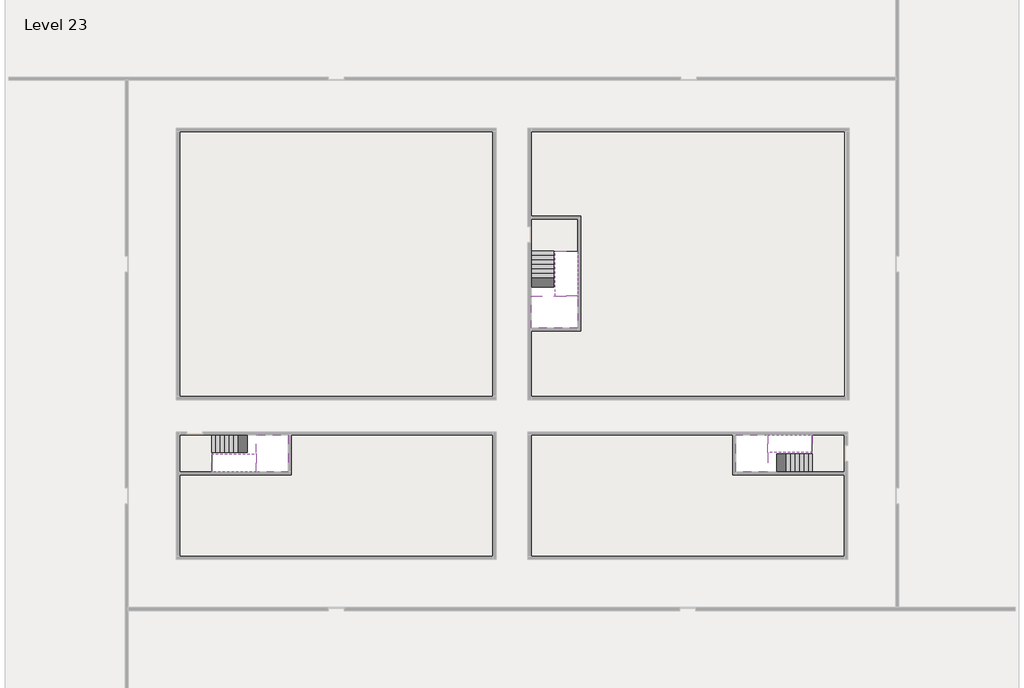
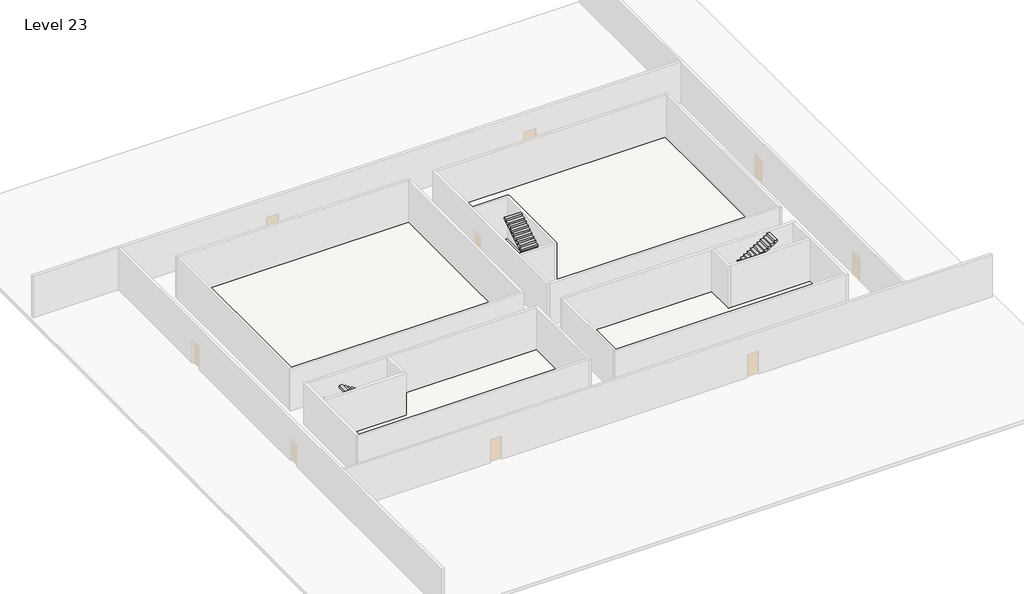
# One storey, part 2 of 2: 6 stair flights, 5 slabs.
"""IFC4 building model written with IfcOpenShell, lengths in millimetres."""

from ifc_helpers import new_model, si_unit, frame, origin, place, context, project, spatial, polyline, outline, extrude, faceted_brep, element, save

model = new_model("IFC4")

# Units and contexts
model_context = context("Model", 3, world=origin())
ifc_project = project(units=[si_unit("LENGTHUNIT", "METRE", prefix="MILLI")], contexts=[model_context])

# Site, building, storey
site = spatial("IfcSite", under=ifc_project)
building = spatial("IfcBuilding", under=site)
storey = spatial("IfcBuildingStorey", under=building, Name="Level 23", Elevation=83600.0)

# Slabs
placement = place(None, origin())
element("IfcSlab", 1, at=placement, inside=storey, context=model_context, shape_type="Brep", body=[
    faceted_brep([(8190.1058784, -42918.09644, 85500.0), (8190.1058784, -44018.09644, 85500.0), (8190.1058784, -44118.09644, 85500.0), (8190.1058784, -45218.09644, 85500.0), (8390.7194421, -45218.09644, 85500.0), (10190.1058784, -45218.09644, 85500.0), (10190.1058784, -42918.09644, 85500.0), (8269.4923146, -42918.09644, 85500.0), (8190.1058784, -42918.09644, 85327.2727273), (8190.1058784, -42918.09644, 85151.0278478), (8190.1058784, -44018.09644, 85151.0278478), (8190.1058784, -44018.09644, 85200.0), (8190.1058784, -44118.09644, 85200.0), (8190.1058784, -44118.09644, 85323.7551205), (8190.1058784, -45218.09644, 85323.7551205), (8390.7194421, -45218.09644, 85200.0), (10190.1058784, -45218.09644, 85200.0), (10190.1058784, -42918.09644, 85200.0), (8269.4923146, -42918.09644, 85200.0), (8390.7194421, -44118.09644, 85200.0), (8269.4923146, -44018.09644, 85200.0)], [[[0, 1, 2, 3, 4, 5, 6, 7]], [[1, 0, 8, 9, 10, 11]], [[2, 1, 11, 12, 13]], [[3, 2, 13, 14]], [[3, 14, 15, 16, 5, 4]], [[6, 5, 16, 17]], [[9, 8, 0, 7, 6, 17, 18]], [[19, 12, 11, 20, 18, 17, 16, 15]], [[12, 19, 13]], [[18, 20, 10, 9]], [[20, 11, 10]], [[19, 15, 14, 13]]]),
])
element("IfcSlab", 2, at=placement, inside=storey, context=model_context, shape_type="Brep", body=[
    faceted_brep([(40190.1058784, -45218.09644, 85500.0), (40190.1058784, -44118.09644, 85500.0), (40190.1058784, -44018.09644, 85500.0), (40190.1058784, -42918.09644, 85500.0), (39989.4923146, -42918.09644, 85500.0), (38190.1058784, -42918.09644, 85500.0), (38190.1058784, -45218.09644, 85500.0), (40110.7194421, -45218.09644, 85500.0), (40190.1058784, -45218.09644, 85327.2727273), (40190.1058784, -45218.09644, 85151.0278478), (40190.1058784, -44118.09644, 85151.0278478), (40190.1058784, -44118.09644, 85200.0), (40190.1058784, -44018.09644, 85200.0), (40190.1058784, -44018.09644, 85323.7551205), (40190.1058784, -42918.09644, 85323.7551205), (39989.4923146, -42918.09644, 85200.0), (38190.1058784, -42918.09644, 85200.0), (38190.1058784, -45218.09644, 85200.0), (40110.7194421, -45218.09644, 85200.0), (39989.4923146, -44018.09644, 85200.0), (40110.7194421, -44118.09644, 85200.0)], [[[0, 1, 2, 3, 4, 5, 6, 7]], [[1, 0, 8, 9, 10, 11]], [[2, 1, 11, 12, 13]], [[3, 2, 13, 14]], [[3, 14, 15, 16, 5, 4]], [[6, 5, 16, 17]], [[9, 8, 0, 7, 6, 17, 18]], [[19, 12, 11, 20, 18, 17, 16, 15]], [[12, 19, 13]], [[18, 20, 10, 9]], [[20, 11, 10]], [[19, 15, 14, 13]]]),
])
element("IfcSlab", 3, at=placement, inside=storey, context=model_context, shape_type="Brep", body=[
    faceted_brep([(26790.1058784, -34218.09644, 85500.0), (25390.1058784, -34218.09644, 85500.0), (25390.1058784, -34297.4828763, 85500.0), (25390.1058784, -36218.09644, 85500.0), (28290.1058784, -36218.09644, 85500.0), (28290.1058784, -34418.7100038, 85500.0), (28290.1058784, -34218.09644, 85500.0), (26890.1058784, -34218.09644, 85500.0), (26790.1058784, -34218.09644, 85200.0), (26790.1058784, -34218.09644, 85151.0278478), (25390.1058784, -34218.09644, 85151.0278478), (25390.1058784, -34218.09644, 85327.2727273), (25390.1058784, -34297.4828763, 85200.0), (25390.1058784, -36218.09644, 85200.0), (28290.1058784, -36218.09644, 85200.0), (28290.1058784, -34418.7100038, 85200.0), (28290.1058784, -34218.09644, 85323.7551205), (26890.1058784, -34218.09644, 85323.7551205), (26890.1058784, -34218.09644, 85200.0), (26890.1058784, -34418.7100038, 85200.0), (26790.1058784, -34297.4828763, 85200.0)], [[[0, 1, 2, 3, 4, 5, 6, 7]], [[1, 0, 8, 9, 10, 11]], [[1, 11, 10, 12, 13, 3, 2]], [[4, 3, 13, 14]], [[4, 14, 15, 16, 6, 5]], [[7, 6, 16, 17]], [[0, 7, 17, 18, 8]], [[18, 19, 15, 14, 13, 12, 20, 8]], [[19, 18, 17]], [[20, 12, 10, 9]], [[8, 20, 9]], [[15, 19, 17, 16]]]),
])
element("IfcSlab", 4, at=placement, inside=storey, context=model_context, shape_type="SweptSolid", body=[
    extrude(outline(polyline([(22990.1058784, -23918.09644), (22990.1058784, -40518.09644), (3390.1058784, -40518.09644), (3390.1058784, -23918.09644), (22990.1058784, -23918.09644)])), frame((0.0, 0.0, 83300.0), z_axis=(0.0, 0.0, 1.0), x_axis=(1.0, 0.0, 0.0)), (0.0, 0.0, 1.0), 300.0),
    extrude(outline(polyline([(44990.1058784, -23918.09644), (44990.1058784, -40518.09644), (25390.1058784, -40518.09644), (25390.1058784, -36418.09644), (28490.1058784, -36418.09644), (28490.1058784, -29218.09644), (25390.1058784, -29218.09644), (25390.1058784, -23918.09644), (44990.1058784, -23918.09644)])), frame((0.0, 0.0, 83300.0), z_axis=(0.0, 0.0, 1.0), x_axis=(1.0, 0.0, 0.0)), (0.0, 0.0, 1.0), 300.0),
    extrude(outline(polyline([(22990.1058784, -42918.09644), (22990.1058784, -50518.09644), (3390.1058784, -50518.09644), (3390.1058784, -45418.09644), (10390.1058784, -45418.09644), (10390.1058784, -42918.09644), (22990.1058784, -42918.09644)])), frame((0.0, 0.0, 83300.0), z_axis=(0.0, 0.0, 1.0), x_axis=(1.0, 0.0, 0.0)), (0.0, 0.0, 1.0), 300.0),
    extrude(outline(polyline([(37990.1058784, -42918.09644), (37990.1058784, -45418.09644), (44990.1058784, -45418.09644), (44990.1058784, -50518.09644), (25390.1058784, -50518.09644), (25390.1058784, -42918.09644), (37990.1058784, -42918.09644)])), frame((0.0, 0.0, 83300.0), z_axis=(0.0, 0.0, 1.0), x_axis=(1.0, 0.0, 0.0)), (0.0, 0.0, 1.0), 300.0),
])
element("IfcSlab", 5, at=placement, inside=storey, context=model_context, shape_type="SweptSolid", body=[
    extrude(outline(polyline([(44990.1058784, -42918.09644), (44990.1058784, -45218.09644), (42990.1058784, -45218.09644), (42990.1058784, -42918.09644), (44990.1058784, -42918.09644)])), frame((0.0, 0.0, 83300.0), z_axis=(0.0, 0.0, 1.0), x_axis=(1.0, 0.0, 0.0)), (0.0, 0.0, 1.0), 300.0),
    extrude(outline(polyline([(5390.1058784, -42918.09644), (5390.1058784, -45218.09644), (3390.1058784, -45218.09644), (3390.1058784, -42918.09644), (5390.1058784, -42918.09644)])), frame((0.0, 0.0, 83300.0), z_axis=(0.0, 0.0, 1.0), x_axis=(1.0, 0.0, 0.0)), (0.0, 0.0, 1.0), 300.0),
    extrude(outline(polyline([(28290.1058784, -29418.09644), (28290.1058784, -31418.09644), (25390.1058784, -31418.09644), (25390.1058784, -29418.09644), (28290.1058784, -29418.09644)])), frame((0.0, 0.0, 83300.0), z_axis=(0.0, 0.0, 1.0), x_axis=(1.0, 0.0, 0.0)), (0.0, 0.0, 1.0), 300.0),
])

# Stair flights
element("IfcStairFlight", 6, at=placement, inside=storey, context=model_context, shape_type="Brep", body=[
    faceted_brep([(5670.1058784, -42918.09644, 83772.7272727), (5390.1058784, -42918.09644, 83772.7272727), (5390.1058784, -44018.09644, 83772.7272727), (5670.1058784, -44018.09644, 83772.7272727), (5670.1058784, -42918.09644, 83600.0), (5390.1058784, -42918.09644, 83600.0), (5390.1058784, -44018.09644, 83600.0), (5670.1058784, -44018.09644, 83600.0), (5950.1058784, -42918.09644, 83945.4545455), (5670.1058784, -42918.09644, 83945.4545455), (5670.1058784, -44018.09644, 83945.4545455), (5950.1058784, -44018.09644, 83945.4545455), (5950.1058784, -42918.09644, 83769.209666), (5675.8081041, -42918.09644, 83600.0), (5675.8081041, -44018.09644, 83600.0), (5950.1058784, -44018.09644, 83769.209666), (6230.1058784, -42918.09644, 84118.1818182), (5950.1058784, -42918.09644, 84118.1818182), (5950.1058784, -44018.09644, 84118.1818182), (6230.1058784, -44018.09644, 84118.1818182), (6230.1058784, -42918.09644, 83941.9369387), (6230.1058784, -44018.09644, 83941.9369387), (6510.1058784, -42918.09644, 84290.9090909), (6230.1058784, -42918.09644, 84290.9090909), (6230.1058784, -44018.09644, 84290.9090909), (6510.1058784, -44018.09644, 84290.9090909), (6510.1058784, -42918.09644, 84114.6642114), (6510.1058784, -44018.09644, 84114.6642114), (6790.1058784, -42918.09644, 84463.6363636), (6510.1058784, -42918.09644, 84463.6363636), (6510.1058784, -44018.09644, 84463.6363636), (6790.1058784, -44018.09644, 84463.6363636), (6790.1058784, -42918.09644, 84287.3914841), (6790.1058784, -44018.09644, 84287.3914841), (7070.1058784, -42918.09644, 84636.3636364), (6790.1058784, -42918.09644, 84636.3636364), (6790.1058784, -44018.09644, 84636.3636364), (7070.1058784, -44018.09644, 84636.3636364), (7070.1058784, -42918.09644, 84460.1187569), (7070.1058784, -44018.09644, 84460.1187569), (7350.1058784, -42918.09644, 84809.0909091), (7070.1058784, -42918.09644, 84809.0909091), (7070.1058784, -44018.09644, 84809.0909091), (7350.1058784, -44018.09644, 84809.0909091), (7350.1058784, -42918.09644, 84632.8460296), (7350.1058784, -44018.09644, 84632.8460296), (7630.1058784, -42918.09644, 84981.8181818), (7350.1058784, -42918.09644, 84981.8181818), (7350.1058784, -44018.09644, 84981.8181818), (7630.1058784, -44018.09644, 84981.8181818), (7630.1058784, -42918.09644, 84805.5733023), (7630.1058784, -44018.09644, 84805.5733023), (7910.1058784, -42918.09644, 85154.5454545), (7630.1058784, -42918.09644, 85154.5454545), (7630.1058784, -44018.09644, 85154.5454545), (7910.1058784, -44018.09644, 85154.5454545), (7910.1058784, -42918.09644, 84978.3005751), (7910.1058784, -44018.09644, 84978.3005751), (8190.1058784, -42918.09644, 85327.2727273), (7910.1058784, -42918.09644, 85327.2727273), (7910.1058784, -44018.09644, 85327.2727273), (8190.1058784, -44018.09644, 85327.2727273), (8190.1058784, -42918.09644, 85151.0278478), (8190.1058784, -44018.09644, 85151.0278478), (8190.1058784, -44018.09644, 85200.0)], [[[0, 1, 2, 3]], [[1, 0, 4, 5]], [[2, 1, 5, 6]], [[3, 2, 6, 7]], [[8, 9, 10, 11]], [[4, 0, 9, 8, 12, 13]], [[0, 3, 10, 9]], [[3, 7, 14, 15, 11, 10]], [[16, 17, 18, 19]], [[17, 16, 20, 12, 8]], [[8, 11, 18, 17]], [[19, 18, 11, 15, 21]], [[22, 23, 24, 25]], [[23, 22, 26, 20, 16]], [[16, 19, 24, 23]], [[25, 24, 19, 21, 27]], [[28, 29, 30, 31]], [[29, 28, 32, 26, 22]], [[22, 25, 30, 29]], [[31, 30, 25, 27, 33]], [[34, 35, 36, 37]], [[35, 34, 38, 32, 28]], [[28, 31, 36, 35]], [[37, 36, 31, 33, 39]], [[40, 41, 42, 43]], [[41, 40, 44, 38, 34]], [[34, 37, 42, 41]], [[43, 42, 37, 39, 45]], [[46, 47, 48, 49]], [[47, 46, 50, 44, 40]], [[40, 43, 48, 47]], [[49, 48, 43, 45, 51]], [[52, 53, 54, 55]], [[53, 52, 56, 50, 46]], [[46, 49, 54, 53]], [[55, 54, 49, 51, 57]], [[58, 59, 60, 61]], [[59, 58, 62, 56, 52]], [[52, 55, 60, 59]], [[61, 60, 55, 57, 63, 64]], [[58, 61, 64, 63, 62]], [[5, 4, 13, 14, 7, 6]], [[14, 13, 12, 20, 26, 32, 38, 44, 50, 56, 62, 63, 57, 51, 45, 39, 33, 27, 21, 15]]]),
])
element("IfcStairFlight", 7, at=placement, inside=storey, context=model_context, shape_type="Brep", body=[
    faceted_brep([(7910.1058784, -45218.09644, 85672.7272727), (8190.1058784, -45218.09644, 85672.7272727), (8190.1058784, -44118.09644, 85672.7272727), (7910.1058784, -44118.09644, 85672.7272727), (7910.1058784, -45218.09644, 85496.4823932), (8190.1058784, -45218.09644, 85323.7551205), (8190.1058784, -45218.09644, 85500.0), (8190.1058784, -44118.09644, 85323.7551205), (7910.1058784, -44118.09644, 85496.4823932), (7630.1058784, -45218.09644, 85845.4545455), (7910.1058784, -45218.09644, 85845.4545455), (7910.1058784, -44118.09644, 85845.4545455), (7630.1058784, -44118.09644, 85845.4545455), (7630.1058784, -45218.09644, 85669.209666), (7630.1058784, -44118.09644, 85669.209666), (7350.1058784, -45218.09644, 86018.1818182), (7630.1058784, -45218.09644, 86018.1818182), (7630.1058784, -44118.09644, 86018.1818182), (7350.1058784, -44118.09644, 86018.1818182), (7350.1058784, -45218.09644, 85841.9369387), (7350.1058784, -44118.09644, 85841.9369387), (7070.1058784, -45218.09644, 86190.9090909), (7350.1058784, -45218.09644, 86190.9090909), (7350.1058784, -44118.09644, 86190.9090909), (7070.1058784, -44118.09644, 86190.9090909), (7070.1058784, -45218.09644, 86014.6642114), (7070.1058784, -44118.09644, 86014.6642114), (6790.1058784, -45218.09644, 86363.6363636), (7070.1058784, -45218.09644, 86363.6363636), (7070.1058784, -44118.09644, 86363.6363636), (6790.1058784, -44118.09644, 86363.6363636), (6790.1058784, -45218.09644, 86187.3914841), (6790.1058784, -44118.09644, 86187.3914841), (6510.1058784, -45218.09644, 86536.3636364), (6790.1058784, -45218.09644, 86536.3636364), (6790.1058784, -44118.09644, 86536.3636364), (6510.1058784, -44118.09644, 86536.3636364), (6510.1058784, -45218.09644, 86360.1187569), (6510.1058784, -44118.09644, 86360.1187569), (6230.1058784, -45218.09644, 86709.0909091), (6510.1058784, -45218.09644, 86709.0909091), (6510.1058784, -44118.09644, 86709.0909091), (6230.1058784, -44118.09644, 86709.0909091), (6230.1058784, -45218.09644, 86532.8460296), (6230.1058784, -44118.09644, 86532.8460296), (5950.1058784, -45218.09644, 86881.8181818), (6230.1058784, -45218.09644, 86881.8181818), (6230.1058784, -44118.09644, 86881.8181818), (5950.1058784, -44118.09644, 86881.8181818), (5950.1058784, -45218.09644, 86705.5733023), (5950.1058784, -44118.09644, 86705.5733023), (5670.1058784, -45218.09644, 87054.5454545), (5950.1058784, -45218.09644, 87054.5454545), (5950.1058784, -44118.09644, 87054.5454545), (5670.1058784, -44118.09644, 87054.5454545), (5670.1058784, -45218.09644, 86878.3005751), (5670.1058784, -44118.09644, 86878.3005751), (5390.1058784, -45218.09644, 87227.2727273), (5670.1058784, -45218.09644, 87227.2727273), (5670.1058784, -44118.09644, 87227.2727273), (5390.1058784, -44118.09644, 87227.2727273), (5390.1058784, -45218.09644, 87051.0278478), (5390.1058784, -44118.09644, 87051.0278478)], [[[0, 1, 2, 3]], [[1, 0, 4, 5, 6]], [[2, 1, 6, 5, 7]], [[3, 2, 7, 8]], [[9, 10, 11, 12]], [[10, 9, 13, 4, 0]], [[11, 10, 0, 3]], [[12, 11, 3, 8, 14]], [[15, 16, 17, 18]], [[16, 15, 19, 13, 9]], [[17, 16, 9, 12]], [[18, 17, 12, 14, 20]], [[21, 22, 23, 24]], [[22, 21, 25, 19, 15]], [[23, 22, 15, 18]], [[24, 23, 18, 20, 26]], [[27, 28, 29, 30]], [[28, 27, 31, 25, 21]], [[29, 28, 21, 24]], [[30, 29, 24, 26, 32]], [[33, 34, 35, 36]], [[34, 33, 37, 31, 27]], [[35, 34, 27, 30]], [[36, 35, 30, 32, 38]], [[39, 40, 41, 42]], [[40, 39, 43, 37, 33]], [[41, 40, 33, 36]], [[42, 41, 36, 38, 44]], [[45, 46, 47, 48]], [[46, 45, 49, 43, 39]], [[47, 46, 39, 42]], [[48, 47, 42, 44, 50]], [[51, 52, 53, 54]], [[52, 51, 55, 49, 45]], [[53, 52, 45, 48]], [[54, 53, 48, 50, 56]], [[57, 58, 59, 60]], [[58, 57, 61, 55, 51]], [[59, 58, 51, 54]], [[60, 59, 54, 56, 62]], [[57, 60, 62, 61]], [[5, 4, 13, 19, 25, 31, 37, 43, 49, 55, 61, 62, 56, 50, 44, 38, 32, 26, 20, 14, 8, 7]]]),
])
element("IfcStairFlight", 8, at=placement, inside=storey, context=model_context, shape_type="Brep", body=[
    faceted_brep([(42710.1058784, -45218.09644, 83772.7272727), (42990.1058784, -45218.09644, 83772.7272727), (42990.1058784, -44118.09644, 83772.7272727), (42710.1058784, -44118.09644, 83772.7272727), (42710.1058784, -45218.09644, 83600.0), (42990.1058784, -45218.09644, 83600.0), (42990.1058784, -44118.09644, 83600.0), (42710.1058784, -44118.09644, 83600.0), (42430.1058784, -45218.09644, 83945.4545455), (42710.1058784, -45218.09644, 83945.4545455), (42710.1058784, -44118.09644, 83945.4545455), (42430.1058784, -44118.09644, 83945.4545455), (42430.1058784, -45218.09644, 83769.209666), (42704.4036527, -45218.09644, 83600.0), (42704.4036527, -44118.09644, 83600.0), (42430.1058784, -44118.09644, 83769.209666), (42150.1058784, -45218.09644, 84118.1818182), (42430.1058784, -45218.09644, 84118.1818182), (42430.1058784, -44118.09644, 84118.1818182), (42150.1058784, -44118.09644, 84118.1818182), (42150.1058784, -45218.09644, 83941.9369387), (42150.1058784, -44118.09644, 83941.9369387), (41870.1058784, -45218.09644, 84290.9090909), (42150.1058784, -45218.09644, 84290.9090909), (42150.1058784, -44118.09644, 84290.9090909), (41870.1058784, -44118.09644, 84290.9090909), (41870.1058784, -45218.09644, 84114.6642114), (41870.1058784, -44118.09644, 84114.6642114), (41590.1058784, -45218.09644, 84463.6363636), (41870.1058784, -45218.09644, 84463.6363636), (41870.1058784, -44118.09644, 84463.6363636), (41590.1058784, -44118.09644, 84463.6363636), (41590.1058784, -45218.09644, 84287.3914841), (41590.1058784, -44118.09644, 84287.3914841), (41310.1058784, -45218.09644, 84636.3636364), (41590.1058784, -45218.09644, 84636.3636364), (41590.1058784, -44118.09644, 84636.3636364), (41310.1058784, -44118.09644, 84636.3636364), (41310.1058784, -45218.09644, 84460.1187569), (41310.1058784, -44118.09644, 84460.1187569), (41030.1058784, -45218.09644, 84809.0909091), (41310.1058784, -45218.09644, 84809.0909091), (41310.1058784, -44118.09644, 84809.0909091), (41030.1058784, -44118.09644, 84809.0909091), (41030.1058784, -45218.09644, 84632.8460296), (41030.1058784, -44118.09644, 84632.8460296), (40750.1058784, -45218.09644, 84981.8181818), (41030.1058784, -45218.09644, 84981.8181818), (41030.1058784, -44118.09644, 84981.8181818), (40750.1058784, -44118.09644, 84981.8181818), (40750.1058784, -45218.09644, 84805.5733023), (40750.1058784, -44118.09644, 84805.5733023), (40470.1058784, -45218.09644, 85154.5454545), (40750.1058784, -45218.09644, 85154.5454545), (40750.1058784, -44118.09644, 85154.5454545), (40470.1058784, -44118.09644, 85154.5454545), (40470.1058784, -45218.09644, 84978.3005751), (40470.1058784, -44118.09644, 84978.3005751), (40190.1058784, -45218.09644, 85327.2727273), (40470.1058784, -45218.09644, 85327.2727273), (40470.1058784, -44118.09644, 85327.2727273), (40190.1058784, -44118.09644, 85327.2727273), (40190.1058784, -45218.09644, 85151.0278478), (40190.1058784, -44118.09644, 85151.0278478), (40190.1058784, -44118.09644, 85200.0)], [[[0, 1, 2, 3]], [[1, 0, 4, 5]], [[2, 1, 5, 6]], [[3, 2, 6, 7]], [[8, 9, 10, 11]], [[4, 0, 9, 8, 12, 13]], [[0, 3, 10, 9]], [[3, 7, 14, 15, 11, 10]], [[16, 17, 18, 19]], [[17, 16, 20, 12, 8]], [[8, 11, 18, 17]], [[19, 18, 11, 15, 21]], [[22, 23, 24, 25]], [[23, 22, 26, 20, 16]], [[16, 19, 24, 23]], [[25, 24, 19, 21, 27]], [[28, 29, 30, 31]], [[29, 28, 32, 26, 22]], [[22, 25, 30, 29]], [[31, 30, 25, 27, 33]], [[34, 35, 36, 37]], [[35, 34, 38, 32, 28]], [[28, 31, 36, 35]], [[37, 36, 31, 33, 39]], [[40, 41, 42, 43]], [[41, 40, 44, 38, 34]], [[34, 37, 42, 41]], [[43, 42, 37, 39, 45]], [[46, 47, 48, 49]], [[47, 46, 50, 44, 40]], [[40, 43, 48, 47]], [[49, 48, 43, 45, 51]], [[52, 53, 54, 55]], [[53, 52, 56, 50, 46]], [[46, 49, 54, 53]], [[55, 54, 49, 51, 57]], [[58, 59, 60, 61]], [[59, 58, 62, 56, 52]], [[52, 55, 60, 59]], [[61, 60, 55, 57, 63, 64]], [[58, 61, 64, 63, 62]], [[5, 4, 13, 14, 7, 6]], [[14, 13, 12, 20, 26, 32, 38, 44, 50, 56, 62, 63, 57, 51, 45, 39, 33, 27, 21, 15]]]),
])
element("IfcStairFlight", 9, at=placement, inside=storey, context=model_context, shape_type="Brep", body=[
    faceted_brep([(40470.1058784, -42918.09644, 85672.7272727), (40190.1058784, -42918.09644, 85672.7272727), (40190.1058784, -44018.09644, 85672.7272727), (40470.1058784, -44018.09644, 85672.7272727), (40470.1058784, -42918.09644, 85496.4823932), (40190.1058784, -42918.09644, 85323.7551205), (40190.1058784, -42918.09644, 85500.0), (40190.1058784, -44018.09644, 85323.7551205), (40470.1058784, -44018.09644, 85496.4823932), (40750.1058784, -42918.09644, 85845.4545455), (40470.1058784, -42918.09644, 85845.4545455), (40470.1058784, -44018.09644, 85845.4545455), (40750.1058784, -44018.09644, 85845.4545455), (40750.1058784, -42918.09644, 85669.209666), (40750.1058784, -44018.09644, 85669.209666), (41030.1058784, -42918.09644, 86018.1818182), (40750.1058784, -42918.09644, 86018.1818182), (40750.1058784, -44018.09644, 86018.1818182), (41030.1058784, -44018.09644, 86018.1818182), (41030.1058784, -42918.09644, 85841.9369387), (41030.1058784, -44018.09644, 85841.9369387), (41310.1058784, -42918.09644, 86190.9090909), (41030.1058784, -42918.09644, 86190.9090909), (41030.1058784, -44018.09644, 86190.9090909), (41310.1058784, -44018.09644, 86190.9090909), (41310.1058784, -42918.09644, 86014.6642114), (41310.1058784, -44018.09644, 86014.6642114), (41590.1058784, -42918.09644, 86363.6363636), (41310.1058784, -42918.09644, 86363.6363636), (41310.1058784, -44018.09644, 86363.6363636), (41590.1058784, -44018.09644, 86363.6363636), (41590.1058784, -42918.09644, 86187.3914841), (41590.1058784, -44018.09644, 86187.3914841), (41870.1058784, -42918.09644, 86536.3636364), (41590.1058784, -42918.09644, 86536.3636364), (41590.1058784, -44018.09644, 86536.3636364), (41870.1058784, -44018.09644, 86536.3636364), (41870.1058784, -42918.09644, 86360.1187569), (41870.1058784, -44018.09644, 86360.1187569), (42150.1058784, -42918.09644, 86709.0909091), (41870.1058784, -42918.09644, 86709.0909091), (41870.1058784, -44018.09644, 86709.0909091), (42150.1058784, -44018.09644, 86709.0909091), (42150.1058784, -42918.09644, 86532.8460296), (42150.1058784, -44018.09644, 86532.8460296), (42430.1058784, -42918.09644, 86881.8181818), (42150.1058784, -42918.09644, 86881.8181818), (42150.1058784, -44018.09644, 86881.8181818), (42430.1058784, -44018.09644, 86881.8181818), (42430.1058784, -42918.09644, 86705.5733023), (42430.1058784, -44018.09644, 86705.5733023), (42710.1058784, -42918.09644, 87054.5454545), (42430.1058784, -42918.09644, 87054.5454545), (42430.1058784, -44018.09644, 87054.5454545), (42710.1058784, -44018.09644, 87054.5454545), (42710.1058784, -42918.09644, 86878.3005751), (42710.1058784, -44018.09644, 86878.3005751), (42990.1058784, -42918.09644, 87227.2727273), (42710.1058784, -42918.09644, 87227.2727273), (42710.1058784, -44018.09644, 87227.2727273), (42990.1058784, -44018.09644, 87227.2727273), (42990.1058784, -42918.09644, 87051.0278478), (42990.1058784, -44018.09644, 87051.0278478)], [[[0, 1, 2, 3]], [[1, 0, 4, 5, 6]], [[2, 1, 6, 5, 7]], [[3, 2, 7, 8]], [[9, 10, 11, 12]], [[10, 9, 13, 4, 0]], [[11, 10, 0, 3]], [[12, 11, 3, 8, 14]], [[15, 16, 17, 18]], [[16, 15, 19, 13, 9]], [[17, 16, 9, 12]], [[18, 17, 12, 14, 20]], [[21, 22, 23, 24]], [[22, 21, 25, 19, 15]], [[23, 22, 15, 18]], [[24, 23, 18, 20, 26]], [[27, 28, 29, 30]], [[28, 27, 31, 25, 21]], [[29, 28, 21, 24]], [[30, 29, 24, 26, 32]], [[33, 34, 35, 36]], [[34, 33, 37, 31, 27]], [[35, 34, 27, 30]], [[36, 35, 30, 32, 38]], [[39, 40, 41, 42]], [[40, 39, 43, 37, 33]], [[41, 40, 33, 36]], [[42, 41, 36, 38, 44]], [[45, 46, 47, 48]], [[46, 45, 49, 43, 39]], [[47, 46, 39, 42]], [[48, 47, 42, 44, 50]], [[51, 52, 53, 54]], [[52, 51, 55, 49, 45]], [[53, 52, 45, 48]], [[54, 53, 48, 50, 56]], [[57, 58, 59, 60]], [[58, 57, 61, 55, 51]], [[59, 58, 51, 54]], [[60, 59, 54, 56, 62]], [[57, 60, 62, 61]], [[5, 4, 13, 19, 25, 31, 37, 43, 49, 55, 61, 62, 56, 50, 44, 38, 32, 26, 20, 14, 8, 7]]]),
])
element("IfcStairFlight", 10, at=placement, inside=storey, context=model_context, shape_type="Brep", body=[
    faceted_brep([(26790.1058784, -31698.09644, 83772.7272727), (26790.1058784, -31418.09644, 83772.7272727), (25390.1058784, -31418.09644, 83772.7272727), (25390.1058784, -31698.09644, 83772.7272727), (26790.1058784, -31698.09644, 83600.0), (26790.1058784, -31418.09644, 83600.0), (25390.1058784, -31418.09644, 83600.0), (25390.1058784, -31698.09644, 83600.0), (26790.1058784, -31978.09644, 83945.4545455), (26790.1058784, -31698.09644, 83945.4545455), (25390.1058784, -31698.09644, 83945.4545455), (25390.1058784, -31978.09644, 83945.4545455), (26790.1058784, -31978.09644, 83769.209666), (26790.1058784, -31703.7986657, 83600.0), (25390.1058784, -31703.7986657, 83600.0), (25390.1058784, -31978.09644, 83769.209666), (26790.1058784, -32258.09644, 84118.1818182), (26790.1058784, -31978.09644, 84118.1818182), (25390.1058784, -31978.09644, 84118.1818182), (25390.1058784, -32258.09644, 84118.1818182), (26790.1058784, -32258.09644, 83941.9369387), (25390.1058784, -32258.09644, 83941.9369387), (26790.1058784, -32538.09644, 84290.9090909), (26790.1058784, -32258.09644, 84290.9090909), (25390.1058784, -32258.09644, 84290.9090909), (25390.1058784, -32538.09644, 84290.9090909), (26790.1058784, -32538.09644, 84114.6642114), (25390.1058784, -32538.09644, 84114.6642114), (26790.1058784, -32818.09644, 84463.6363636), (26790.1058784, -32538.09644, 84463.6363636), (25390.1058784, -32538.09644, 84463.6363636), (25390.1058784, -32818.09644, 84463.6363636), (26790.1058784, -32818.09644, 84287.3914841), (25390.1058784, -32818.09644, 84287.3914841), (26790.1058784, -33098.09644, 84636.3636364), (26790.1058784, -32818.09644, 84636.3636364), (25390.1058784, -32818.09644, 84636.3636364), (25390.1058784, -33098.09644, 84636.3636364), (26790.1058784, -33098.09644, 84460.1187569), (25390.1058784, -33098.09644, 84460.1187569), (26790.1058784, -33378.09644, 84809.0909091), (26790.1058784, -33098.09644, 84809.0909091), (25390.1058784, -33098.09644, 84809.0909091), (25390.1058784, -33378.09644, 84809.0909091), (26790.1058784, -33378.09644, 84632.8460296), (25390.1058784, -33378.09644, 84632.8460296), (26790.1058784, -33658.09644, 84981.8181818), (26790.1058784, -33378.09644, 84981.8181818), (25390.1058784, -33378.09644, 84981.8181818), (25390.1058784, -33658.09644, 84981.8181818), (26790.1058784, -33658.09644, 84805.5733023), (25390.1058784, -33658.09644, 84805.5733023), (26790.1058784, -33938.09644, 85154.5454545), (26790.1058784, -33658.09644, 85154.5454545), (25390.1058784, -33658.09644, 85154.5454545), (25390.1058784, -33938.09644, 85154.5454545), (26790.1058784, -33938.09644, 84978.3005751), (25390.1058784, -33938.09644, 84978.3005751), (26790.1058784, -34218.09644, 85327.2727273), (26790.1058784, -33938.09644, 85327.2727273), (25390.1058784, -33938.09644, 85327.2727273), (25390.1058784, -34218.09644, 85327.2727273), (26790.1058784, -34218.09644, 85200.0), (26790.1058784, -34218.09644, 85151.0278478), (25390.1058784, -34218.09644, 85151.0278478)], [[[0, 1, 2, 3]], [[1, 0, 4, 5]], [[2, 1, 5, 6]], [[3, 2, 6, 7]], [[8, 9, 10, 11]], [[4, 0, 9, 8, 12, 13]], [[0, 3, 10, 9]], [[3, 7, 14, 15, 11, 10]], [[16, 17, 18, 19]], [[17, 16, 20, 12, 8]], [[8, 11, 18, 17]], [[19, 18, 11, 15, 21]], [[22, 23, 24, 25]], [[23, 22, 26, 20, 16]], [[16, 19, 24, 23]], [[25, 24, 19, 21, 27]], [[28, 29, 30, 31]], [[29, 28, 32, 26, 22]], [[22, 25, 30, 29]], [[31, 30, 25, 27, 33]], [[34, 35, 36, 37]], [[35, 34, 38, 32, 28]], [[28, 31, 36, 35]], [[37, 36, 31, 33, 39]], [[40, 41, 42, 43]], [[41, 40, 44, 38, 34]], [[34, 37, 42, 41]], [[43, 42, 37, 39, 45]], [[46, 47, 48, 49]], [[47, 46, 50, 44, 40]], [[40, 43, 48, 47]], [[49, 48, 43, 45, 51]], [[52, 53, 54, 55]], [[53, 52, 56, 50, 46]], [[46, 49, 54, 53]], [[55, 54, 49, 51, 57]], [[58, 59, 60, 61]], [[59, 58, 62, 63, 56, 52]], [[52, 55, 60, 59]], [[61, 60, 55, 57, 64]], [[58, 61, 64, 63, 62]], [[5, 4, 13, 14, 7, 6]], [[14, 13, 12, 20, 26, 32, 38, 44, 50, 56, 63, 64, 57, 51, 45, 39, 33, 27, 21, 15]]]),
])
element("IfcStairFlight", 11, at=placement, inside=storey, context=model_context, shape_type="Brep", body=[
    faceted_brep([(26890.1058784, -33938.09644, 85672.7272727), (26890.1058784, -34218.09644, 85672.7272727), (28290.1058784, -34218.09644, 85672.7272727), (28290.1058784, -33938.09644, 85672.7272727), (26890.1058784, -33938.09644, 85496.4823932), (26890.1058784, -34218.09644, 85323.7551205), (28290.1058784, -34218.09644, 85323.7551205), (28290.1058784, -34218.09644, 85500.0), (28290.1058784, -33938.09644, 85496.4823932), (26890.1058784, -33658.09644, 85845.4545455), (26890.1058784, -33938.09644, 85845.4545455), (28290.1058784, -33938.09644, 85845.4545455), (28290.1058784, -33658.09644, 85845.4545455), (26890.1058784, -33658.09644, 85669.209666), (28290.1058784, -33658.09644, 85669.209666), (26890.1058784, -33378.09644, 86018.1818182), (26890.1058784, -33658.09644, 86018.1818182), (28290.1058784, -33658.09644, 86018.1818182), (28290.1058784, -33378.09644, 86018.1818182), (26890.1058784, -33378.09644, 85841.9369387), (28290.1058784, -33378.09644, 85841.9369387), (26890.1058784, -33098.09644, 86190.9090909), (26890.1058784, -33378.09644, 86190.9090909), (28290.1058784, -33378.09644, 86190.9090909), (28290.1058784, -33098.09644, 86190.9090909), (26890.1058784, -33098.09644, 86014.6642114), (28290.1058784, -33098.09644, 86014.6642114), (26890.1058784, -32818.09644, 86363.6363636), (26890.1058784, -33098.09644, 86363.6363636), (28290.1058784, -33098.09644, 86363.6363636), (28290.1058784, -32818.09644, 86363.6363636), (26890.1058784, -32818.09644, 86187.3914841), (28290.1058784, -32818.09644, 86187.3914841), (26890.1058784, -32538.09644, 86536.3636364), (26890.1058784, -32818.09644, 86536.3636364), (28290.1058784, -32818.09644, 86536.3636364), (28290.1058784, -32538.09644, 86536.3636364), (26890.1058784, -32538.09644, 86360.1187569), (28290.1058784, -32538.09644, 86360.1187569), (26890.1058784, -32258.09644, 86709.0909091), (26890.1058784, -32538.09644, 86709.0909091), (28290.1058784, -32538.09644, 86709.0909091), (28290.1058784, -32258.09644, 86709.0909091), (26890.1058784, -32258.09644, 86532.8460296), (28290.1058784, -32258.09644, 86532.8460296), (26890.1058784, -31978.09644, 86881.8181818), (26890.1058784, -32258.09644, 86881.8181818), (28290.1058784, -32258.09644, 86881.8181818), (28290.1058784, -31978.09644, 86881.8181818), (26890.1058784, -31978.09644, 86705.5733023), (28290.1058784, -31978.09644, 86705.5733023), (26890.1058784, -31698.09644, 87054.5454545), (26890.1058784, -31978.09644, 87054.5454545), (28290.1058784, -31978.09644, 87054.5454545), (28290.1058784, -31698.09644, 87054.5454545), (26890.1058784, -31698.09644, 86878.3005751), (28290.1058784, -31698.09644, 86878.3005751), (26890.1058784, -31418.09644, 87227.2727273), (26890.1058784, -31698.09644, 87227.2727273), (28290.1058784, -31698.09644, 87227.2727273), (28290.1058784, -31418.09644, 87227.2727273), (26890.1058784, -31418.09644, 87051.0278478), (28290.1058784, -31418.09644, 87051.0278478)], [[[0, 1, 2, 3]], [[1, 0, 4, 5]], [[2, 1, 5, 6, 7]], [[3, 2, 7, 6, 8]], [[9, 10, 11, 12]], [[10, 9, 13, 4, 0]], [[11, 10, 0, 3]], [[12, 11, 3, 8, 14]], [[15, 16, 17, 18]], [[16, 15, 19, 13, 9]], [[17, 16, 9, 12]], [[18, 17, 12, 14, 20]], [[21, 22, 23, 24]], [[22, 21, 25, 19, 15]], [[23, 22, 15, 18]], [[24, 23, 18, 20, 26]], [[27, 28, 29, 30]], [[28, 27, 31, 25, 21]], [[29, 28, 21, 24]], [[30, 29, 24, 26, 32]], [[33, 34, 35, 36]], [[34, 33, 37, 31, 27]], [[35, 34, 27, 30]], [[36, 35, 30, 32, 38]], [[39, 40, 41, 42]], [[40, 39, 43, 37, 33]], [[41, 40, 33, 36]], [[42, 41, 36, 38, 44]], [[45, 46, 47, 48]], [[46, 45, 49, 43, 39]], [[47, 46, 39, 42]], [[48, 47, 42, 44, 50]], [[51, 52, 53, 54]], [[52, 51, 55, 49, 45]], [[53, 52, 45, 48]], [[54, 53, 48, 50, 56]], [[57, 58, 59, 60]], [[58, 57, 61, 55, 51]], [[59, 58, 51, 54]], [[60, 59, 54, 56, 62]], [[57, 60, 62, 61]], [[5, 4, 13, 19, 25, 31, 37, 43, 49, 55, 61, 62, 56, 50, 44, 38, 32, 26, 20, 14, 8, 6]]]),
])

save(model, "model.ifc")
